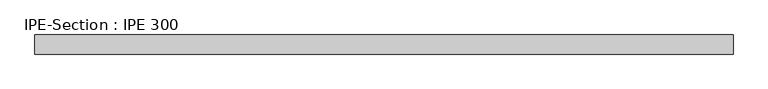
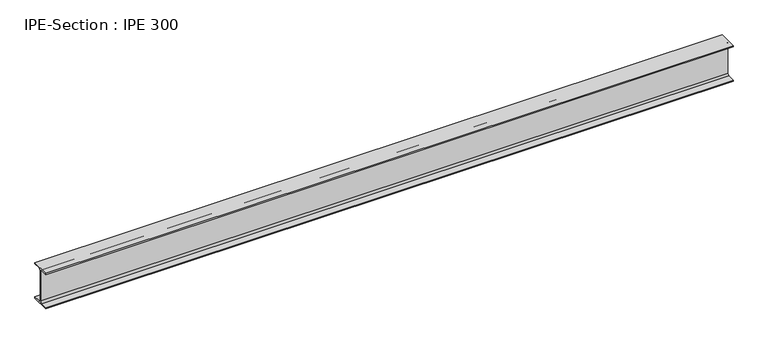
"""IFC4 building model written with IfcOpenShell, lengths in millimetres: beam geometry, IPE-Section : IPE 300."""

from ifc_helpers import new_model, si_unit, point, frame, frame_2d, origin, place, context, project, spatial, polyline, circle_curve, trimmed, segment, composite_curve, outline, extrude, source, transform, mapped, element, save


def ipe_section_ipe_300_bd7e9e4c(model_context):
    return source(origin(), model_context, "Body", "SweptSolid", [
        extrude(outline(composite_curve([segment(polyline([(75.0, -139.3), (75.0, -150.0), (-75.0, -150.0), (-75.0, -139.3), (-18.55, -139.3)]), True, "CONTINUOUS"), segment(trimmed(circle_curve(frame_2d((-18.55, -124.3)), 15.0), [point((-18.55, -139.3))], [point((-3.55, -124.3))], True, "CARTESIAN"), True, "CONTINUOUS"), segment(polyline([(-3.55, -124.3), (-3.55, 124.3)]), True, "CONTINUOUS"), segment(trimmed(circle_curve(frame_2d((-18.55, 124.3)), 15.0), [point((-3.55, 124.3))], [point((-18.55, 139.3))], True, "CARTESIAN"), True, "CONTINUOUS"), segment(polyline([(-18.55, 139.3), (-75.0, 139.3), (-75.0, 150.0), (75.0, 150.0), (75.0, 139.3), (18.55, 139.3)]), True, "CONTINUOUS"), segment(trimmed(circle_curve(frame_2d((18.55, 124.3)), 15.0), [point((18.55, 139.3))], [point((3.55, 124.3))], True, "CARTESIAN"), True, "CONTINUOUS"), segment(polyline([(3.55, 124.3), (3.55, -124.3)]), True, "CONTINUOUS"), segment(trimmed(circle_curve(frame_2d((18.55, -124.3)), 15.0), [point((3.55, -124.3))], [point((18.55, -139.3))], True, "CARTESIAN"), True, "CONTINUOUS"), segment(polyline([(18.55, -139.3), (75.0, -139.3)]), True, "CONTINUOUS")], self_intersect=False)), frame((-2723.5986881, 0.0, 0.0), z_axis=(1.0, 0.0, 0.0), x_axis=(0.0, 1.0, 0.0)), (0.0, 0.0, 1.0), 5475.18812),
    ])


if __name__ == "__main__":
    model = new_model("IFC4")
    model_context = context("Model", 3, world=origin())
    ifc_project = project(units=[si_unit("LENGTHUNIT", "METRE", prefix="MILLI")], contexts=[model_context])
    site = spatial("IfcSite", under=ifc_project)
    building = spatial("IfcBuilding", under=site)
    placement = place(None, origin())
    ipe_section_ipe_300_shape = ipe_section_ipe_300_bd7e9e4c(model_context)
    element("IfcBeam", 1, ObjectType="IPE-Section : IPE 300", at=placement, inside=building, context=model_context, shape_type="MappedRepresentation", body=[
        mapped(ipe_section_ipe_300_shape, transform((0.0, 0.0, 0.0), x_axis=(1.0, 0.0, 0.0), y_axis=(0.0, 1.0, 0.0), z_axis=(0.0, 0.0, 1.0))),
    ])
    save(model, "model.ifc")
